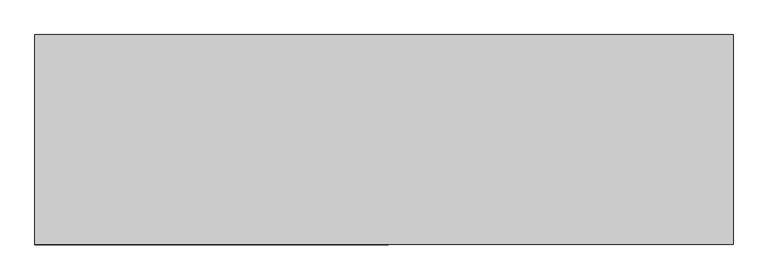
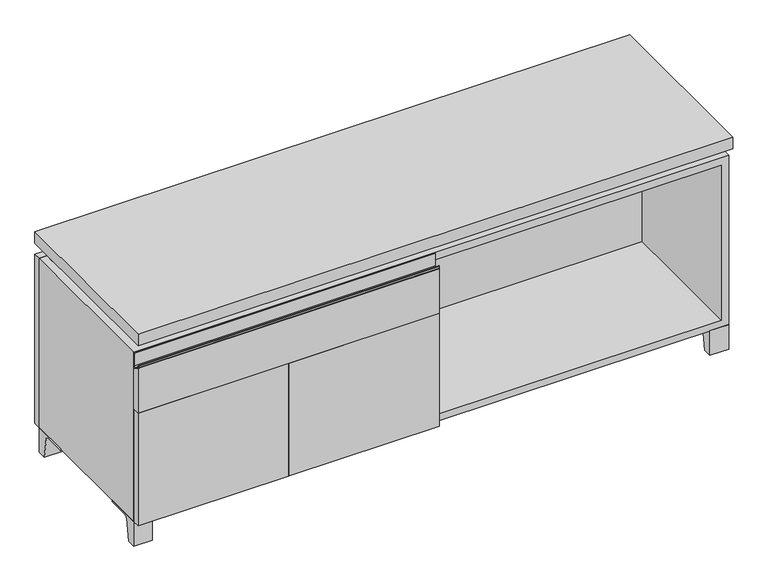
"""IFC4 building model written with IfcOpenShell, lengths in millimetres: furniture geometry."""

from ifc_helpers import new_model, si_unit, point, frame, frame_2d, origin, place, context, project, spatial, polyline, circle_curve, trimmed, segment, composite_curve, outline, extrude, faceted_brep, source, transform, mapped, element, save


def furniture_14254375(model_context):
    return source(origin(), model_context, "Body", "SolidModel", [
        extrude(outline(composite_curve([segment(polyline([(-146.05, 481.0125), (-165.1, 492.125)]), True, "CONTINUOUS"), segment(trimmed(circle_curve(frame_2d((-163.9001571, 494.1818735)), 2.38125), [point((-165.1, 492.125))], [point((-166.2814071, 494.1818735))], False, "CARTESIAN"), True, "CONTINUOUS"), segment(polyline([(-166.2814071, 494.1818735), (-166.2814071, 499.26875)]), True, "CONTINUOUS"), segment(trimmed(circle_curve(frame_2d((-165.4876571, 499.26875)), 0.79375), [point((-166.2814071, 499.26875))], [point((-164.6939071, 499.26875))], False, "CARTESIAN"), True, "CONTINUOUS"), segment(polyline([(-164.6939071, 499.26875), (-164.6939071, 494.1818735)]), True, "CONTINUOUS"), segment(trimmed(circle_curve(frame_2d((-163.9001571, 494.1818735)), 0.79375), [point((-164.6939071, 494.1818735))], [point((-164.3001047, 493.496249))], True, "CARTESIAN"), True, "CONTINUOUS"), segment(polyline([(-164.3001047, 493.496249), (-152.4122905, 486.5616907)]), True, "CONTINUOUS"), segment(trimmed(circle_curve(frame_2d((-150.8125, 489.3041887)), 3.175), [point((-152.4122905, 486.5616907))], [point((-147.6375, 489.3041887))], True, "CARTESIAN"), True, "CONTINUOUS"), segment(polyline([(-147.6375, 489.3041887), (-147.6375, 523.08125)]), True, "CONTINUOUS"), segment(trimmed(circle_curve(frame_2d((-146.84375, 523.08125)), 0.79375), [point((-147.6375, 523.08125))], [point((-146.05, 523.08125))], False, "CARTESIAN"), True, "CONTINUOUS"), segment(polyline([(-146.05, 523.08125), (-146.05, 481.0125)]), True, "CONTINUOUS")], self_intersect=False)), frame((-760.3986094, 0.0, 0.0), z_axis=(1.0, 0.0, 0.0), x_axis=(0.0, 1.0, 0.0)), (0.0, 0.0, 1.0), 769.9375),
        extrude(outline(polyline([(-146.05, 371.475), (-165.1, 371.475), (-165.1, 492.125), (-146.05, 481.0125), (-146.05, 371.475)])), frame((-760.3986094, 0.0, 0.0), z_axis=(1.0, 0.0, 0.0), x_axis=(0.0, 1.0, 0.0)), (0.0, 0.0, 1.0), 769.9375),
        extrude(outline(composite_curve([segment(polyline([(44.9791531, 0.0), (22.225, 0.0), (22.225, 66.675), (117.475, 66.675), (117.475, 61.8963321), (60.6744655, 61.8963321)]), True, "CONTINUOUS"), segment(trimmed(circle_curve(frame_2d((60.6744655, 55.5463321)), 6.35), [point((60.6744655, 61.8963321))], [point((54.4108641, 56.5902656))], True, "CARTESIAN"), True, "CONTINUOUS"), segment(polyline([(54.4108641, 56.5902656), (44.9791531, 0.0)]), True, "CONTINUOUS")], self_intersect=False)), frame((-23.7986094, 0.0, 0.0), z_axis=(1.0, 0.0, 0.0), x_axis=(0.0, 1.0, 0.0)), (0.0, 0.0, 1.0), 47.625),
        extrude(outline(composite_curve([segment(polyline([(-123.2958469, 0.0), (-146.05, 0.0), (-146.05, 66.675), (-50.8, 66.675), (-50.8, 61.8963321), (-107.6005345, 61.8963321)]), True, "CONTINUOUS"), segment(trimmed(circle_curve(frame_2d((-107.6005345, 55.5463321)), 6.35), [point((-107.6005345, 61.8963321))], [point((-113.8641359, 56.5902656))], True, "CARTESIAN"), True, "CONTINUOUS"), segment(polyline([(-113.8641359, 56.5902656), (-123.2958469, 0.0)]), True, "CONTINUOUS")], self_intersect=False)), frame((712.8013906, 0.0, 0.0), z_axis=(1.0, 0.0, 0.0), x_axis=(0.0, 1.0, 0.0)), (0.0, 0.0, 1.0), 47.625),
        extrude(outline(composite_curve([segment(polyline([(250.2958469, 0.0), (240.8641359, 56.5902656)]), True, "CONTINUOUS"), segment(trimmed(circle_curve(frame_2d((234.6005345, 55.5463321)), 6.35), [point((240.8641359, 56.5902656))], [point((234.6005345, 61.8963321))], True, "CARTESIAN"), True, "CONTINUOUS"), segment(polyline([(234.6005345, 61.8963321), (177.8, 61.8963321), (177.8, 66.675), (273.05, 66.675), (273.05, 0.0), (250.2958469, 0.0)]), True, "CONTINUOUS")], self_intersect=False)), frame((712.8013906, 0.0, 0.0), z_axis=(1.0, 0.0, 0.0), x_axis=(0.0, 1.0, 0.0)), (0.0, 0.0, 1.0), 47.625),
        extrude(outline(composite_curve([segment(polyline([(-123.2958469, 0.0), (-146.05, 0.0), (-146.05, 66.675), (-50.8, 66.675), (-50.8, 61.8963321), (-107.6005345, 61.8963321)]), True, "CONTINUOUS"), segment(trimmed(circle_curve(frame_2d((-107.6005345, 55.5463321)), 6.35), [point((-107.6005345, 61.8963321))], [point((-113.8641359, 56.5902656))], True, "CARTESIAN"), True, "CONTINUOUS"), segment(polyline([(-113.8641359, 56.5902656), (-123.2958469, 0.0)]), True, "CONTINUOUS")], self_intersect=False)), frame((-760.3986094, 0.0, 0.0), z_axis=(1.0, 0.0, 0.0), x_axis=(0.0, 1.0, 0.0)), (0.0, 0.0, 1.0), 47.625),
        extrude(outline(composite_curve([segment(polyline([(250.2958469, 0.0), (240.8641359, 56.5902656)]), True, "CONTINUOUS"), segment(trimmed(circle_curve(frame_2d((234.6005345, 55.5463321)), 6.35), [point((240.8641359, 56.5902656))], [point((234.6005345, 61.8963321))], True, "CARTESIAN"), True, "CONTINUOUS"), segment(polyline([(234.6005345, 61.8963321), (177.8, 61.8963321), (177.8, 66.675), (273.05, 66.675), (273.05, 0.0), (250.2958469, 0.0)]), True, "CONTINUOUS")], self_intersect=False)), frame((-760.3986094, 0.0, 0.0), z_axis=(1.0, 0.0, 0.0), x_axis=(0.0, 1.0, 0.0)), (0.0, 0.0, 1.0), 47.625),
        faceted_brep([(-760.3986094, -146.05, 66.675), (760.4125, -146.05, 66.675), (760.4125, -146.05, 523.875), (-760.3986094, -146.05, 523.875), (-741.3486094, -146.05, 85.725), (-741.3486094, -146.05, 504.825), (741.3694453, -146.05, 504.825), (741.3486094, -146.05, 85.725), (-760.3986094, 273.05, 66.675), (-760.3986094, 273.05, 523.875), (-741.3486094, 273.05, 523.875), (-741.3486094, 273.05, 85.725), (741.3486094, 273.05, 85.725), (741.3486094, 273.05, 523.875), (760.4125, 273.05, 523.875), (760.4125, 273.05, 66.675), (741.3486094, 247.65, 523.875), (-741.3416641, 247.65, 523.875), (-741.3486094, 247.65, 504.825), (741.3486094, 247.65, 504.825)], [[[0, 1, 2, 3], [4, 5, 6, 7]], [[8, 9, 10, 11, 12, 13, 14, 15]], [[1, 0, 8, 15]], [[2, 1, 15, 14]], [[3, 2, 14, 13, 16, 17, 10, 9]], [[0, 3, 9, 8]], [[11, 10, 17, 18, 5, 4]], [[13, 12, 7, 6, 19, 16]], [[4, 7, 12, 11]], [[6, 5, 18, 19]], [[17, 16, 19, 18]]]),
        extrude(outline(polyline([(760.4263906, -165.1), (-760.3986094, -165.1), (-760.3986094, 292.1), (760.4263906, 292.1), (760.4263906, -165.1)])), frame((0.0, 0.0, 554.0375), z_axis=(0.0, 0.0, 1.0), x_axis=(1.0, 0.0, 0.0)), (0.0, 0.0, 1.0), 30.1625),
        faceted_brep([(7.9513906, -69.85, 554.0375), (7.9513906, -69.85, 523.875), (7.9513906, 53.975, 523.875), (7.9513906, 53.975, 554.0375), (7.9513906, 196.85, 523.875), (7.9513906, 196.85, 554.0375), (7.9513906, 73.025, 554.0375), (7.9513906, 73.025, 523.875), (-7.9236094, 196.85, 554.0375), (-7.9236094, 196.85, 523.875), (-7.9236094, 73.025, 523.875), (-7.9236094, 73.025, 554.0375), (-7.9236094, -69.85, 523.875), (-7.9236094, -69.85, 554.0375), (-7.9236094, 53.975, 554.0375), (-7.9236094, 53.975, 523.875), (-719.0958281, 73.025, 554.0375), (-719.1166641, 247.65, 554.0375), (-734.9916641, 247.65, 554.0375), (-734.9916641, -120.65, 554.0375), (-719.1166641, -120.65, 554.0375), (-719.1166641, 53.975, 554.0375), (719.1236094, 53.975, 554.0375), (719.1236094, -120.65, 554.0375), (734.9986094, -120.65, 554.0375), (734.9986094, 247.65, 554.0375), (719.1236094, 247.65, 554.0375), (719.1236094, 73.025, 554.0375), (-719.0958281, 53.975, 523.875), (-719.1166641, -120.65, 523.875), (-734.9916641, -120.65, 523.875), (-734.9916641, 247.65, 523.875), (-719.1166641, 247.65, 523.875), (-719.1166641, 73.025, 523.875), (719.1236094, 73.025, 523.875), (719.1236094, 247.65, 523.875), (734.9986094, 247.65, 523.875), (734.9986094, -120.65, 523.875), (719.1236094, -120.65, 523.875), (719.1236094, 53.975, 523.875)], [[[0, 1, 2, 3]], [[4, 5, 6, 7]], [[8, 9, 10, 11]], [[12, 13, 14, 15]], [[5, 8, 11, 16, 17, 18, 19, 20, 21, 14, 13, 0, 3, 22, 23, 24, 25, 26, 27, 6]], [[1, 12, 15, 28, 29, 30, 31, 32, 33, 10, 9, 4, 7, 34, 35, 36, 37, 38, 39, 2]], [[5, 4, 9, 8]], [[1, 0, 13, 12]], [[6, 27, 34, 7]], [[22, 3, 2, 39]], [[20, 29, 28, 21]], [[32, 17, 16, 33]], [[18, 31, 30, 19]], [[29, 20, 19, 30]], [[17, 32, 31, 18]], [[26, 35, 34, 27]], [[38, 23, 22, 39]], [[25, 24, 37, 36]], [[23, 38, 37, 24]], [[35, 26, 25, 36]], [[16, 11, 10, 33]], [[14, 21, 28, 15]]]),
        extrude(outline(polyline([(9.5388906, 203.2), (9.5388906, -146.05), (-9.5111094, -146.05), (-9.5111094, 203.2), (9.5388906, 203.2)])), frame((0.0, 0.0, 85.725), z_axis=(0.0, 0.0, 1.0), x_axis=(1.0, 0.0, 0.0)), (0.0, 0.0, 1.0), 419.1),
        extrude(outline(polyline([(760.4263906, 273.05), (-760.3986094, 273.05), (-760.3986094, 292.1), (760.4263906, 292.1), (760.4263906, 273.05)])), frame((0.0, 0.0, 66.675), z_axis=(0.0, 0.0, 1.0), x_axis=(1.0, 0.0, 0.0)), (0.0, 0.0, 1.0), 457.2),
        extrude(outline(polyline([(-741.3416641, 203.2), (-741.3416641, 209.55), (741.3694453, 209.55), (741.3694453, 203.2), (-741.3416641, 203.2)])), frame((0.0, 0.0, 85.725), z_axis=(0.0, 0.0, 1.0), x_axis=(1.0, 0.0, 0.0)), (0.0, 0.0, 1.0), 419.1),
        extrude(outline(polyline([(9.5388906, -165.1), (-373.8423594, -165.1), (-373.8423594, -146.05), (9.5388906, -146.05), (9.5388906, -165.1)])), frame((0.0, 0.0, 66.675), z_axis=(0.0, 0.0, 1.0), x_axis=(1.0, 0.0, 0.0)), (0.0, 0.0, 1.0), 304.8),
        extrude(outline(polyline([(-377.0173594, -165.1), (-760.3986094, -165.1), (-760.3986094, -146.05), (-377.0173594, -146.05), (-377.0173594, -165.1)])), frame((0.0, 0.0, 66.675), z_axis=(0.0, 0.0, 1.0), x_axis=(1.0, 0.0, 0.0)), (0.0, 0.0, 1.0), 304.8),
    ])


if __name__ == "__main__":
    model = new_model("IFC4")
    model_context = context("Model", 3, world=origin())
    ifc_project = project(units=[si_unit("LENGTHUNIT", "METRE", prefix="MILLI")], contexts=[model_context])
    site = spatial("IfcSite", under=ifc_project)
    building = spatial("IfcBuilding", under=site)
    placement = place(None, origin())
    furniture_shape = furniture_14254375(model_context)
    element("IfcFurniture", 1, at=placement, inside=building, context=model_context, shape_type="MappedRepresentation", body=[
        mapped(furniture_shape, transform((0.0, 0.0, 0.0), x_axis=(1.0, 0.0, 0.0), y_axis=(0.0, 1.0, 0.0), z_axis=(0.0, 0.0, 1.0))),
    ])
    save(model, "model.ifc")
